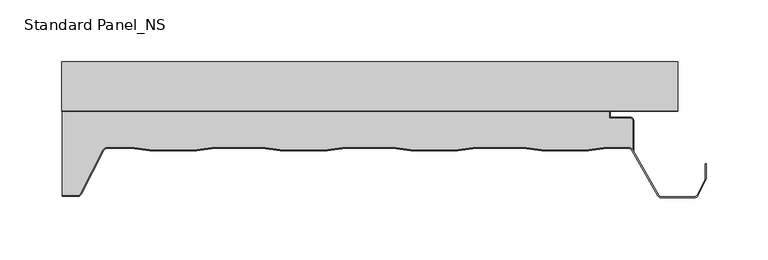
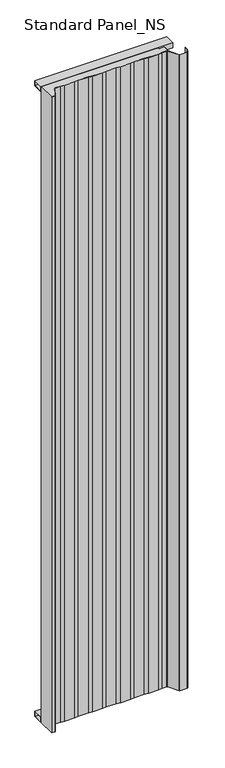
"""IFC4 building model written with IfcOpenShell, lengths in millimetres: proxy geometry, Standard Panel_NS."""

from ifc_helpers import new_model, si_unit, point, frame, frame_2d, origin, origin_with_axes, place, context, project, spatial, polyline, circle_curve, trimmed, segment, composite_curve, outline, extrude, source, transform, mapped, element, save


def standard_panel_ns_e981d962(model_context):
    return source(origin(), model_context, "Body", "SweptSolid", [
        extrude(outline(polyline([(-40.0, 0.0), (-40.0, 20.0), (0.0, 20.0), (0.0, 0.0), (-40.0, 0.0)]), holes=[polyline([(-0.9, 19.1), (-39.1, 19.1), (-39.1, 0.9), (-0.9, 0.9), (-0.9, 19.1)])]), frame((-249.9999998, 0.0, 0.0), z_axis=(1.0, 0.0, 0.0), x_axis=(0.0, 1.0, 0.0)), (0.0, 0.0, 1.0), 499.9999997),
        extrude(outline(polyline([(-40.0, 2549.5097568), (0.0, 2549.5097568), (0.0, 2529.5097568), (-40.0, 2529.5097568), (-40.0, 2549.5097568)]), holes=[polyline([(-0.9, 2548.6097568), (-39.1, 2548.6097568), (-39.1, 2530.4097568), (-0.9, 2530.4097568), (-0.9, 2548.6097568)])]), frame((-249.9999998, 0.0, 0.0), z_axis=(1.0, 0.0, 0.0), x_axis=(0.0, 1.0, 0.0)), (0.0, 0.0, 1.0), 499.9999997),
        extrude(outline(composite_curve([segment(polyline([(213.3333676, -47.9776976), (213.3333676, -71.2827781)]), True, "CONTINUOUS"), segment(trimmed(circle_curve(frame_2d((210.179188, -73.4020117)), 3.8), [point((213.3333676, -71.2827781))], [point((210.2255766, -69.6022949))], True, "CARTESIAN"), True, "CONTINUOUS"), segment(polyline([(210.2255766, -69.6022949), (192.3850005, -69.6022949), (177.5232715, -71.4), (139.5003904, -71.4), (124.6528382, -69.6040097), (86.3708237, -69.6040097), (71.5232715, -71.4), (33.5003904, -71.4), (18.667015, -69.6057246), (-19.6433531, -69.6057246), (-34.4767285, -71.4), (-72.4996096, -71.4), (-87.3188082, -69.6074394), (-125.6575299, -69.6074394), (-140.4767285, -71.4), (-178.4996096, -71.4), (-193.3070694, -69.6088594), (-213.150958, -69.6088594)]), True, "CONTINUOUS"), segment(trimmed(circle_curve(frame_2d((-213.150958, -73.4088594)), 3.8), [point((-213.150958, -69.6088594))], [point((-216.5484349, -71.7067576))], True, "CARTESIAN"), True, "CONTINUOUS"), segment(polyline([(-216.5484349, -71.7067576), (-234.886672, -107.389061)]), True, "CONTINUOUS"), segment(trimmed(circle_curve(frame_2d((-236.856809, -106.41)), 2.2), [point((-234.886672, -107.389061))], [point((-236.856809, -108.61))], False, "CARTESIAN"), True, "CONTINUOUS"), segment(polyline([(-236.856809, -108.61), (-249.4999998, -108.61), (-249.4999998, -40.8776976), (194.4044995, -40.8776976), (194.4044995, -45.8776976), (211.2333676, -45.8776976)]), True, "CONTINUOUS"), segment(trimmed(circle_curve(frame_2d((211.2333676, -47.9776976)), 2.1), [point((211.2333676, -45.8776976))], [point((213.3333676, -47.9776976))], False, "CARTESIAN"), True, "CONTINUOUS")], self_intersect=False)), origin_with_axes(), (0.0, 0.0, 1.0), 2549.5097568),
        extrude(outline(composite_curve([segment(polyline([(-236.856809, -109.41), (-249.4999998, -109.41), (-249.4999998, -108.61), (-236.856809, -108.61)]), True, "CONTINUOUS"), segment(trimmed(circle_curve(frame_2d((-236.856809, -106.41)), 2.2), [point((-236.856809, -108.61))], [point((-234.886672, -107.389061))], True, "CARTESIAN"), True, "CONTINUOUS"), segment(polyline([(-234.886672, -107.389061), (-216.5484349, -71.7067576)]), True, "CONTINUOUS"), segment(trimmed(circle_curve(frame_2d((-213.150958, -73.4088594)), 3.8), [point((-216.5484349, -71.7067576))], [point((-213.150958, -69.6088594))], False, "CARTESIAN"), True, "CONTINUOUS"), segment(polyline([(-213.150958, -69.6088594), (-193.3070694, -69.6088594), (-178.4996096, -71.4), (-140.4767285, -71.4), (-125.6575299, -69.6074394), (-87.3188082, -69.6074394), (-72.4996096, -71.4), (-34.4767285, -71.4), (-19.6433531, -69.6057246), (18.667015, -69.6057246), (33.5003904, -71.4), (71.5232715, -71.4), (86.3708237, -69.6040097), (124.6528382, -69.6040097), (139.5003904, -71.4), (177.5232715, -71.4), (192.3850005, -69.6022949), (210.1327994, -69.6022949)]), True, "CONTINUOUS"), segment(trimmed(circle_curve(frame_2d((210.179188, -73.4020117)), 3.8), [point((210.1327994, -69.6022949))], [point((213.5049667, -71.5637527))], False, "CARTESIAN"), True, "CONTINUOUS"), segment(polyline([(213.5049667, -71.5637527), (234.4077106, -108.4591287)]), True, "CONTINUOUS"), segment(trimmed(circle_curve(frame_2d((236.3366683, -107.401243)), 2.2), [point((234.4077106, -108.4591287))], [point((236.3366683, -109.601243))], True, "CARTESIAN"), True, "CONTINUOUS"), segment(polyline([(236.3366683, -109.601243), (263.6856737, -109.601243)]), True, "CONTINUOUS"), segment(trimmed(circle_curve(frame_2d((263.6856737, -107.401243)), 2.2), [point((263.6856737, -109.601243))], [point((265.6539047, -108.3841299))], True, "CARTESIAN"), True, "CONTINUOUS"), segment(polyline([(265.6539047, -108.3841299), (272.1830896, -95.3094373)]), True, "CONTINUOUS"), segment(trimmed(circle_curve(frame_2d((270.2148586, -94.3265504)), 2.2), [point((272.1830896, -95.3094373))], [point((272.4148586, -94.3265504))], True, "CARTESIAN"), True, "CONTINUOUS"), segment(polyline([(272.4148586, -94.3265504), (272.4148586, -82.8571101), (273.2148586, -82.8571101), (273.2148586, -94.3265504)]), True, "CONTINUOUS"), segment(trimmed(circle_curve(frame_2d((270.2148586, -94.3265504)), 3.0), [point((273.2148586, -94.3265504))], [point((272.89881, -95.6668507))], False, "CARTESIAN"), True, "CONTINUOUS"), segment(polyline([(272.89881, -95.6668507), (266.3696251, -108.7415434)]), True, "CONTINUOUS"), segment(trimmed(circle_curve(frame_2d((263.6856737, -107.401243)), 3.0), [point((266.3696251, -108.7415434))], [point((263.6856737, -110.401243))], False, "CARTESIAN"), True, "CONTINUOUS"), segment(polyline([(263.6856737, -110.401243), (236.3366683, -110.401243)]), True, "CONTINUOUS"), segment(trimmed(circle_curve(frame_2d((236.3366683, -107.401243)), 3.0), [point((236.3366683, -110.401243))], [point((233.7091409, -108.8490344))], False, "CARTESIAN"), True, "CONTINUOUS"), segment(polyline([(233.7091409, -108.8490344), (212.8067154, -71.9542204)]), True, "CONTINUOUS"), segment(trimmed(circle_curve(frame_2d((210.179188, -73.4020117)), 3.0), [point((212.8067154, -71.9542204))], [point((210.1379709, -70.4022949))], True, "CARTESIAN"), True, "CONTINUOUS"), segment(polyline([(210.1379709, -70.4022949), (192.4332096, -70.4022949), (177.5714806, -72.2), (139.4521813, -72.2), (124.6046291, -70.4040097), (86.4190328, -70.4040097), (71.5714806, -72.2), (33.4521813, -72.2), (18.6188059, -70.4057246), (-19.595144, -70.4057246), (-34.4285194, -72.2), (-72.5478187, -72.2), (-87.3670173, -70.4074394), (-125.6093208, -70.4074394), (-140.4285194, -72.2), (-178.5478187, -72.2), (-193.3552785, -70.4088594), (-213.150958, -70.4088594)]), True, "CONTINUOUS"), segment(trimmed(circle_curve(frame_2d((-213.150958, -73.4088594)), 3.0), [point((-213.150958, -70.4088594))], [point((-215.8349094, -72.0685591))], True, "CARTESIAN"), True, "CONTINUOUS"), segment(polyline([(-215.8349094, -72.0685591), (-234.1728576, -107.7503003)]), True, "CONTINUOUS"), segment(trimmed(circle_curve(frame_2d((-236.856809, -106.41)), 3.0), [point((-234.1728576, -107.7503003))], [point((-236.856809, -109.41))], False, "CARTESIAN"), True, "CONTINUOUS")], self_intersect=False)), origin_with_axes(), (0.0, 0.0, 1.0), 2549.5097568),
        extrude(outline(composite_curve([segment(polyline([(194.4044995, -40.9), (-249.4999998, -40.9), (-249.4999998, -40.0), (195.3044995, -40.0), (195.3044995, -45.0), (211.2333676, -45.0)]), True, "CONTINUOUS"), segment(trimmed(circle_curve(frame_2d((211.2333676, -48.0)), 3.0), [point((211.2333676, -45.0))], [point((214.2333676, -48.0))], False, "CARTESIAN"), True, "CONTINUOUS"), segment(polyline([(214.2333676, -48.0), (214.2333676, -72.8494512), (213.3333676, -71.2827781), (213.3333676, -48.0)]), True, "CONTINUOUS"), segment(trimmed(circle_curve(frame_2d((211.2333676, -48.0)), 2.1), [point((213.3333676, -48.0))], [point((211.2333676, -45.9))], True, "CARTESIAN"), True, "CONTINUOUS"), segment(polyline([(211.2333676, -45.9), (194.4044995, -45.9), (194.4044995, -40.9)]), True, "CONTINUOUS")], self_intersect=False)), origin_with_axes(), (0.0, 0.0, 1.0), 2549.5097568),
    ])


if __name__ == "__main__":
    model = new_model("IFC4")
    model_context = context("Model", 3, world=origin())
    ifc_project = project(units=[si_unit("LENGTHUNIT", "METRE", prefix="MILLI")], contexts=[model_context])
    site = spatial("IfcSite", under=ifc_project)
    building = spatial("IfcBuilding", under=site)
    placement = place(None, origin())
    standard_panel_ns_shape = standard_panel_ns_e981d962(model_context)
    element("IfcBuildingElementProxy", 1, Name="Standard Panel_NS", ObjectType="Standard Panel_NS", at=placement, inside=building, context=model_context, shape_type="MappedRepresentation", body=[
        mapped(standard_panel_ns_shape, transform((0.0, 0.0, 0.0), x_axis=(1.0, 0.0, 0.0), y_axis=(0.0, 1.0, 0.0), z_axis=(0.0, 0.0, 1.0))),
    ])
    save(model, "model.ifc")
